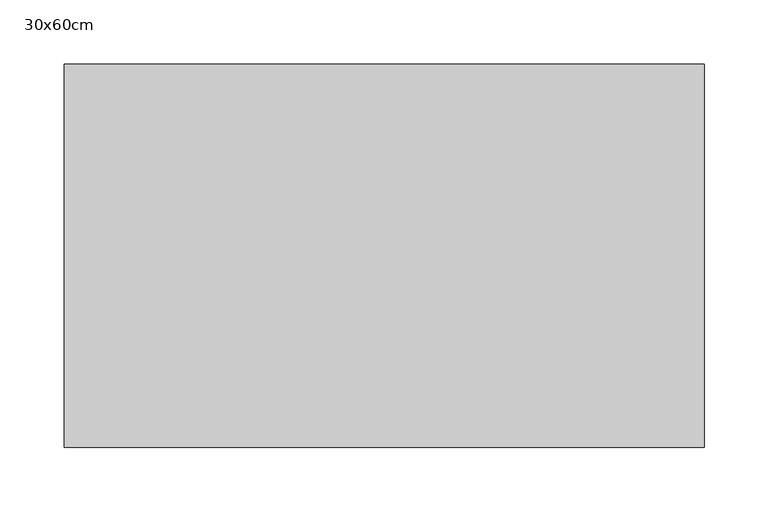
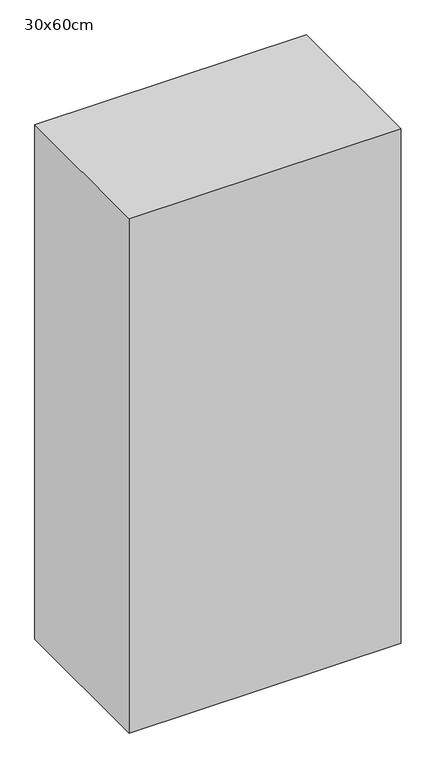
"""IFC4 building model written with IfcOpenShell, lengths in millimetres: proxy geometry, 30x60cm."""

from ifc_helpers import new_model, si_unit, frame, origin, place, context, project, spatial, polyline, outline, extrude, source, transform, mapped, element, save


def proxy_30x60cm_558bc5a2(model_context):
    return source(origin(), model_context, "Body", "SweptSolid", [
        extrude(outline(polyline([(500.0, 300.0), (500.0, 0.0), (0.0, 0.0), (0.0, 300.0), (500.0, 300.0)])), frame((0.0, 0.0, 1300.0), z_axis=(0.0, 0.0, 1.0), x_axis=(1.0, 0.0, 0.0)), (0.0, 0.0, 1.0), 1000.0),
    ])


if __name__ == "__main__":
    model = new_model("IFC4")
    model_context = context("Model", 3, world=origin())
    ifc_project = project(units=[si_unit("LENGTHUNIT", "METRE", prefix="MILLI")], contexts=[model_context])
    site = spatial("IfcSite", under=ifc_project)
    building = spatial("IfcBuilding", under=site)
    placement = place(None, origin())
    proxy_30x60cm_shape = proxy_30x60cm_558bc5a2(model_context)
    element("IfcBuildingElementProxy", 1, Name="30x60cm", ObjectType="30x60cm", at=placement, inside=building, context=model_context, shape_type="MappedRepresentation", body=[
        mapped(proxy_30x60cm_shape, transform((0.0, 0.0, 0.0), x_axis=(1.0, 0.0, 0.0), y_axis=(0.0, 1.0, 0.0), z_axis=(0.0, 0.0, 1.0))),
    ])
    save(model, "model.ifc")
